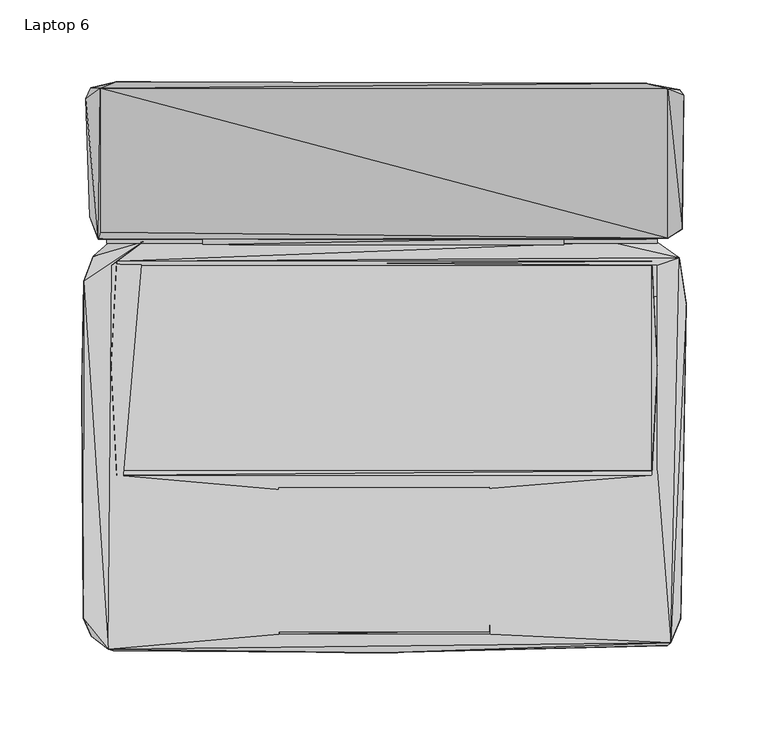
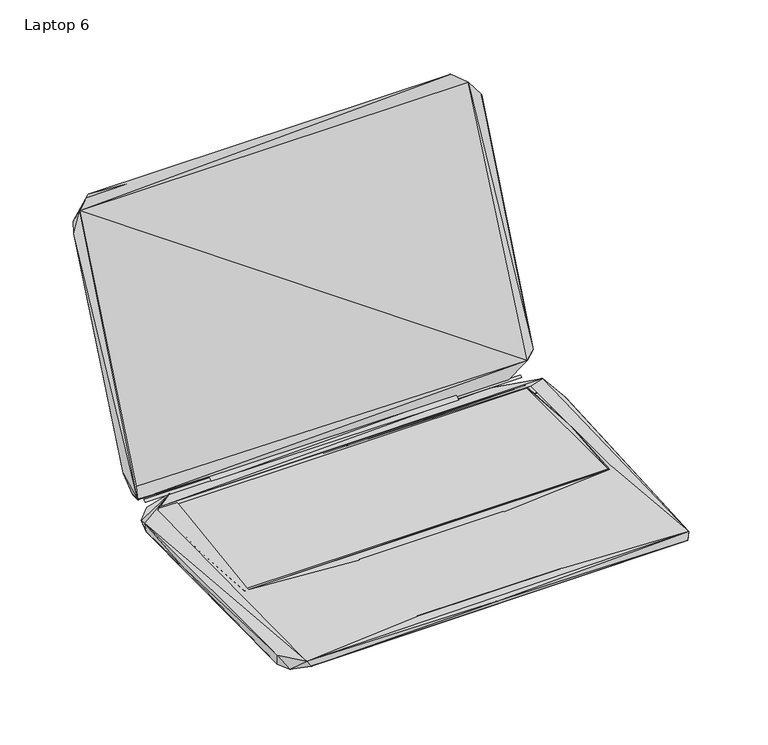
"""IFC4 building model written with IfcOpenShell, lengths in millimetres: furniture geometry, Laptop 6."""

from ifc_helpers import new_model, si_unit, origin, place, context, project, spatial, triangles, source, transform, mapped, element, save


def laptop_6_7e30ed3e(model_context):
    return source(origin(), model_context, "Body", "Tessellation", [
        triangles([(-110.8122223, 74.627794, 10.6596373), (109.6013406, 74.6278076, 10.6596373), (109.7013345, 79.027807, 13.5596386), (-110.8122223, 79.1277919, 13.5596386), (-177.7495428, 67.5618145, 1.9875716), (-147.0631074, 76.4618118, 11.287573), (-168.0495353, 76.0618135, 5.7875731), (179.8283585, 64.0618283, 1.3875709), (-175.7495377, 83.7618113, 15.6875735), (179.7283646, 88.3618212, 24.8875729), (153.6283589, 77.6618294, 9.987574), (-174.5495383, 78.161817, 13.8875744), (-173.4495509, 82.3618059, 23.5875728), (-173.4495691, 170.0836953, 230.6309443), (173.2283617, 78.5618199, 23.5875705), (-182.3495527, 163.7836983, 215.9309332), (-169.4495407, 75.7618182, 11.0875727), (166.7283587, 75.7618318, 11.0875727), (-169.4495407, 78.161817, 12.387574), (166.7283587, 78.1618261, 12.387574), (138.5419342, 76.361827, 10.7875728), (166.8283708, 76.261824, 5.8875733), (-166.3495482, 62.0618096, 11.3875703), (-163.1495437, 64.7618083, 11.3875703), (-163.1495437, 62.1618125, 10.687571), (163.4283603, 64.7618264, 11.3875703), (166.7283587, 62.1618262, 11.487571), (180.1283584, 66.761827, 11.1875723), (163.4283603, 62.1618262, 10.687571), (181.8283636, 84.2618171, 27.0875726), (173.2283617, 169.9837378, 230.7309564), (183.028363, 165.9837276, 217.9309383), (180.4283401, 169.283726, 219.6309435), (-179.2495603, 170.3836952, 222.6309421), (-163.4495617, 174.0836874, 240.2309398), (159.4283501, 173.283718, 240.9309515), (-183.6495279, -153.3039964, 10.6875324), (-182.5495224, -150.8039946, 0.2875334), (-178.8495302, -164.2039852, 2.0875311), (-168.349517, -172.3039813, 11.1875302), (-184.5495456, -12.9601214, 6.4875577), (-183.349528, 52.5508394, 10.087569), (-180.9495473, 54.1508417, 0.2875692), (180.9283822, -153.7039538, 0.3875329), (-165.1495306, -173.3039929, 5.9875297), (172.92838, -170.0039582, 4.2875301), (-0.1173525, -174.3039864, 9.9875297), (-64.390233, -163.2039917, 11.4875301), (-62.6902369, -74.8820436, 10.9875459), (174.828373, -168.403965, 11.2875298), (64.6690632, -163.2039917, 11.4875301), (-166.549536, -63.3820506, 11.4875483), (-162.9495559, -66.0820538, 11.4875483), (-64.390233, -161.8039681, 11.0875318), (64.269074, -161.7039742, 11.0875318), (64.069068, -73.4820427, 11.0875466), (-64.4902269, -73.5820457, 11.0875466), (-63.4902335, -159.8039812, 10.9875311), (62.0690675, -161.1039745, 10.9875311), (62.1690659, -74.18205, 10.9875459), (184.3283564, 38.5508627, 8.787566), (163.4283603, -66.0820402, 11.4875483), (166.7283587, -63.3820369, 11.4875483), (182.5283572, 42.6508668, 0.1875672), (-163.1495437, -66.0820538, 11.3875487), (163.4283603, -63.3820369, 10.6875483), (-163.1495437, -63.3820506, 10.6875483), (-166.549536, 0.539877, 11.38756), (166.7283587, -1.7601053, 11.38756), (-179.8495418, 91.6618106, 32.1875747)], [[1, 2, 3], [1, 3, 4], [5, 6, 7], [5, 7, 8], [9, 10, 11], [9, 11, 12], [12, 13, 14], [12, 11, 15], [12, 15, 13], [12, 14, 16], [17, 18, 19], [19, 18, 20], [7, 6, 21], [7, 21, 22], [7, 22, 8], [23, 24, 6], [24, 25, 26], [24, 21, 6], [24, 27, 28], [24, 28, 21], [25, 29, 26], [21, 28, 22], [11, 30, 15], [11, 10, 30], [22, 28, 8], [15, 30, 31], [10, 32, 30], [10, 33, 32], [30, 32, 31], [16, 14, 34], [34, 35, 33], [34, 14, 35], [14, 36, 35], [14, 31, 36], [35, 36, 33], [36, 31, 33], [31, 32, 33], [37, 38, 39], [37, 39, 40], [37, 41, 38], [37, 42, 41], [37, 40, 42], [38, 41, 43], [38, 44, 39], [38, 43, 44], [39, 45, 40], [39, 46, 45], [39, 44, 46], [40, 23, 6], [40, 45, 47], [40, 48, 49], [40, 47, 50], [40, 51, 48], [40, 50, 51], [40, 52, 23], [40, 53, 52], [40, 49, 53], [40, 6, 42], [45, 46, 47], [54, 55, 56], [54, 56, 57], [48, 58, 49], [48, 59, 58], [48, 51, 59], [47, 46, 50], [51, 50, 60], [46, 44, 50], [50, 61, 28], [50, 44, 61], [50, 62, 60], [50, 63, 62], [50, 27, 63], [50, 28, 27], [44, 64, 61], [44, 43, 64], [65, 66, 67], [65, 62, 66], [65, 67, 68], [67, 25, 68], [53, 49, 60], [53, 60, 62], [66, 62, 69], [66, 69, 29], [41, 42, 43], [68, 25, 24], [69, 26, 29], [42, 5, 43], [42, 6, 5], [43, 5, 8], [43, 8, 64], [64, 8, 61], [61, 8, 28], [70, 9, 12], [70, 12, 16], [70, 10, 9], [70, 34, 33], [70, 33, 10], [70, 16, 34]], closed=False),
        triangles([(-163.1627697, -63.4161237, 10.6379555), (163.3643744, -63.4161101, 10.6379555), (-163.1627697, 62.2339511, 10.6379783), (163.3643744, 62.2339648, 10.6379783)], [[1, 2, 3], [2, 4, 3]], closed=False),
        triangles([(-173.4428653, 82.339578, 23.54435), (173.2898041, 78.5395919, 23.5443478), (-173.4428834, 170.1374711, 230.6010406), (173.289786, 169.9374833, 230.6010406)], [[1, 2, 3], [2, 4, 3]], closed=False),
    ])


if __name__ == "__main__":
    model = new_model("IFC4")
    model_context = context("Model", 3, world=origin())
    ifc_project = project(units=[si_unit("LENGTHUNIT", "METRE", prefix="MILLI")], contexts=[model_context])
    site = spatial("IfcSite", under=ifc_project)
    building = spatial("IfcBuilding", under=site)
    placement = place(None, origin())
    laptop_6_shape = laptop_6_7e30ed3e(model_context)
    element("IfcFurniture", 1, ObjectType="Laptop 6", at=placement, inside=building, context=model_context, shape_type="MappedRepresentation", body=[
        mapped(laptop_6_shape, transform((0.0, 0.0, 0.0), x_axis=(1.0, 0.0, 0.0), y_axis=(0.0, 1.0, 0.0), z_axis=(0.0, 0.0, 1.0))),
    ])
    save(model, "model.ifc")
